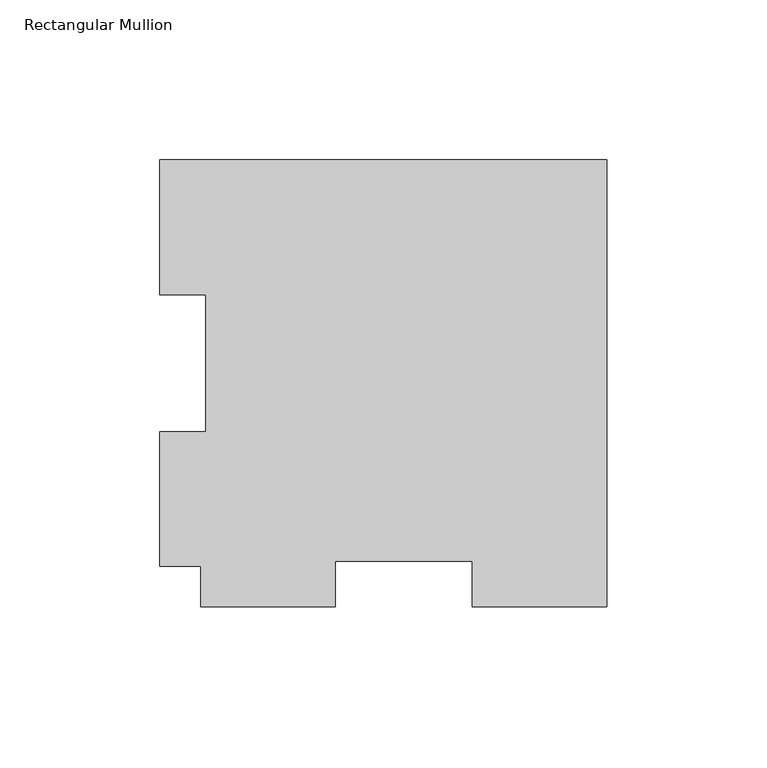
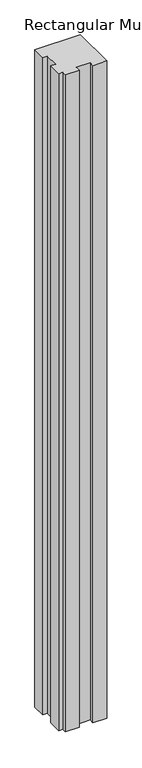
"""IFC4 building model written with IfcOpenShell, lengths in millimetres: member geometry, Rectangular Mullion."""

from ifc_helpers import new_model, si_unit, frame, origin, place, context, project, spatial, polyline, outline, extrude, source, transform, mapped, element, save


def rectangular_mullion_432bdc0a(model_context):
    return source(origin(), model_context, "Body", "SweptSolid", [
        extrude(outline(polyline([(-139.7, 126.7086937), (0.0, 126.7086937), (0.0, -12.9913063), (-42.0751, -12.9913063), (-42.0751, 1.2961937), (-84.9249, 1.2961937), (-84.9249, -12.9913063), (-127.0, -12.9913063), (-127.0, -0.2913063), (-139.7, -0.2913063), (-139.7, 41.7837938), (-125.4125, 41.7837938), (-125.4125, 84.6335937), (-139.7, 84.6335937), (-139.7, 126.7086937)])), frame((0.0, 0.0, -2133.6), z_axis=(0.0, 0.0, 1.0), x_axis=(1.0, 0.0, 0.0)), (0.0, 0.0, 1.0), 2133.6),
    ])


if __name__ == "__main__":
    model = new_model("IFC4")
    model_context = context("Model", 3, world=origin())
    ifc_project = project(units=[si_unit("LENGTHUNIT", "METRE", prefix="MILLI")], contexts=[model_context])
    site = spatial("IfcSite", under=ifc_project)
    building = spatial("IfcBuilding", under=site)
    placement = place(None, origin())
    rectangular_mullion_shape = rectangular_mullion_432bdc0a(model_context)
    element("IfcMember", 1, ObjectType="Rectangular Mullion", at=placement, inside=building, context=model_context, shape_type="MappedRepresentation", body=[
        mapped(rectangular_mullion_shape, transform((0.0, 0.0, 0.0), x_axis=(1.0, 0.0, 0.0), y_axis=(0.0, 1.0, 0.0), z_axis=(0.0, 0.0, 1.0))),
    ])
    save(model, "model.ifc")
